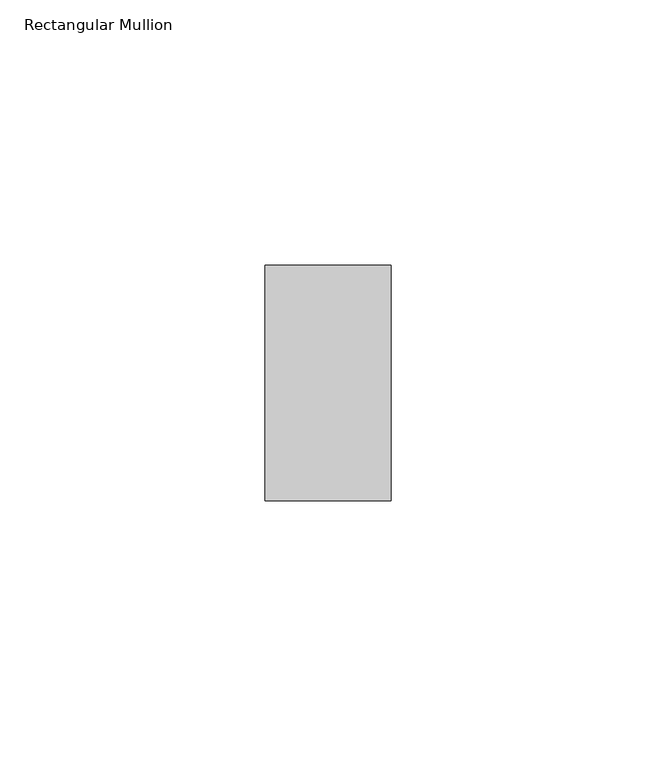
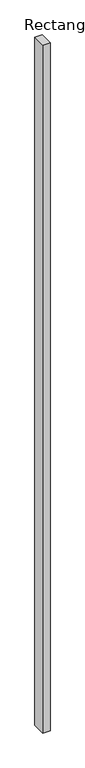
"""IFC4 building model written with IfcOpenShell, lengths in millimetres: member geometry, Rectangular Mullion."""

from ifc_helpers import new_model, si_unit, frame, origin, place, context, project, spatial, polyline, outline, extrude, source, transform, mapped, element, save


def rectangular_mullion_168d3da1(model_context):
    return source(origin(), model_context, "Body", "SweptSolid", [
        extrude(outline(polyline([(0.0, 22.225), (0.0, -22.225), (-23.8125, -22.225), (-23.8125, 22.225), (0.0, 22.225)])), frame((0.0, 0.0, -2374.9), z_axis=(0.0, 0.0, 1.0), x_axis=(1.0, 0.0, 0.0)), (0.0, 0.0, 1.0), 2374.9),
    ])


if __name__ == "__main__":
    model = new_model("IFC4")
    model_context = context("Model", 3, world=origin())
    ifc_project = project(units=[si_unit("LENGTHUNIT", "METRE", prefix="MILLI")], contexts=[model_context])
    site = spatial("IfcSite", under=ifc_project)
    building = spatial("IfcBuilding", under=site)
    placement = place(None, origin())
    rectangular_mullion_shape = rectangular_mullion_168d3da1(model_context)
    element("IfcMember", 1, ObjectType="Rectangular Mullion", at=placement, inside=building, context=model_context, shape_type="MappedRepresentation", body=[
        mapped(rectangular_mullion_shape, transform((0.0, 0.0, 0.0), x_axis=(1.0, 0.0, 0.0), y_axis=(0.0, 1.0, 0.0), z_axis=(0.0, 0.0, 1.0))),
    ])
    save(model, "model.ifc")
